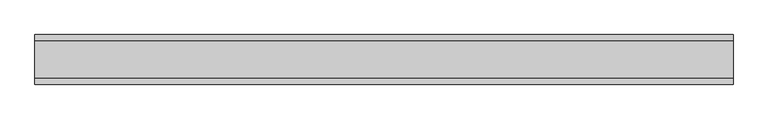
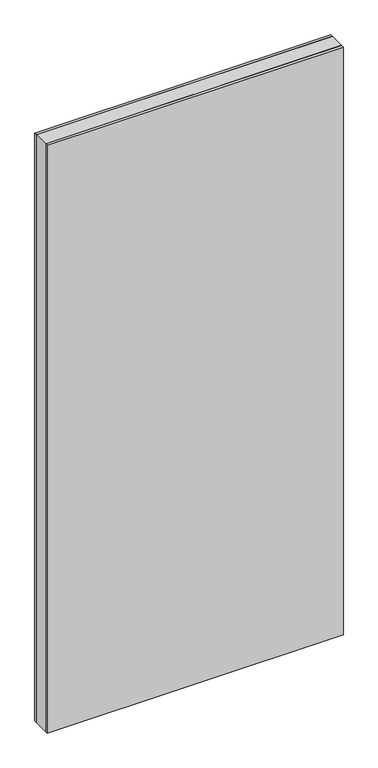
"""IFC4 building model written with IfcOpenShell, lengths in millimetres: plate geometry."""

from ifc_helpers import new_model, si_unit, origin, origin_with_axes, place, context, project, spatial, polyline, outline, extrude, source, transform, mapped, element, save


def plate_d62c8a8f(model_context):
    return source(origin(), model_context, "Body", "SweptSolid", [
        extrude(outline(polyline([(699.003037, 37.0), (699.003037, -37.0), (-699.003037, -37.0), (-699.003037, 37.0), (699.003037, 37.0)])), origin_with_axes(), (0.0, 0.0, 1.0), 2931.0),
        extrude(outline(polyline([(699.003037, 50.0), (699.003037, 37.0), (-699.003037, 37.0), (-699.003037, 50.0), (699.003037, 50.0)])), origin_with_axes(), (0.0, 0.0, 1.0), 2931.0),
        extrude(outline(polyline([(-699.003037, -50.0), (-699.003037, -37.0), (699.003037, -37.0), (699.003037, -50.0), (-699.003037, -50.0)])), origin_with_axes(), (0.0, 0.0, 1.0), 2931.0),
    ])


if __name__ == "__main__":
    model = new_model("IFC4")
    model_context = context("Model", 3, world=origin())
    ifc_project = project(units=[si_unit("LENGTHUNIT", "METRE", prefix="MILLI")], contexts=[model_context])
    site = spatial("IfcSite", under=ifc_project)
    building = spatial("IfcBuilding", under=site)
    placement = place(None, origin())
    plate_shape = plate_d62c8a8f(model_context)
    element("IfcPlate", 1, at=placement, inside=building, context=model_context, shape_type="MappedRepresentation", body=[
        mapped(plate_shape, transform((0.0, 0.0, 0.0), x_axis=(1.0, 0.0, 0.0), y_axis=(0.0, 1.0, 0.0), z_axis=(0.0, 0.0, 1.0))),
    ])
    save(model, "model.ifc")
